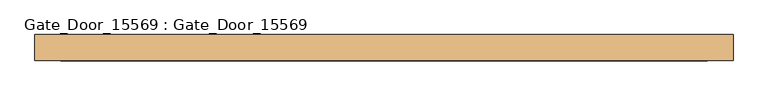
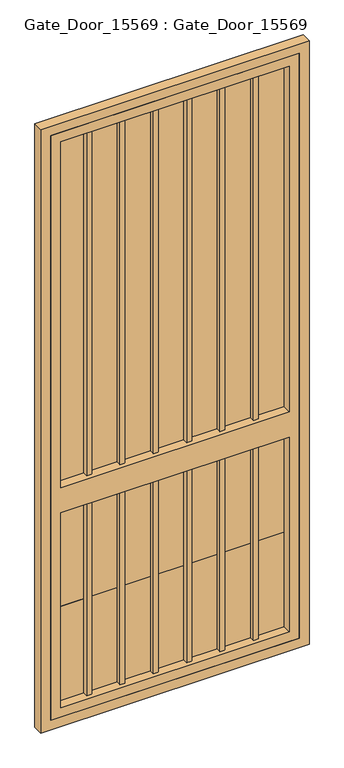
"""IFC4 building model written with IfcOpenShell, lengths in millimetres: door geometry, Gate_Door_15569 : Gate_Door_15569."""

from ifc_helpers import new_model, si_unit, frame, origin, place, context, project, spatial, polyline, outline, extrude, source, transform, mapped, element, save


def gate_door_15569_gate_door_15569_08955b63(model_context):
    return source(origin(), model_context, "Body", "SweptSolid", [
        extrude(outline(polyline([(840.9214286, -22.225), (821.8714286, -22.225), (821.8714286, -3.175), (840.9214286, -3.175), (840.9214286, -22.225)])), frame((0.0, 0.0, 76.2), z_axis=(0.0, 0.0, 1.0), x_axis=(1.0, 0.0, 0.0)), (0.0, 0.0, 1.0), 787.4),
        extrude(outline(polyline([(713.4678571, -22.225), (694.4178571, -22.225), (694.4178571, -3.175), (713.4678571, -3.175), (713.4678571, -22.225)])), frame((0.0, 0.0, 76.2), z_axis=(0.0, 0.0, 1.0), x_axis=(1.0, 0.0, 0.0)), (0.0, 0.0, 1.0), 787.4),
        extrude(outline(polyline([(586.0142857, -22.225), (566.9642857, -22.225), (566.9642857, -3.175), (586.0142857, -3.175), (586.0142857, -22.225)])), frame((0.0, 0.0, 76.2), z_axis=(0.0, 0.0, 1.0), x_axis=(1.0, 0.0, 0.0)), (0.0, 0.0, 1.0), 787.4),
        extrude(outline(polyline([(458.5607143, -22.225), (439.5107143, -22.225), (439.5107143, -3.175), (458.5607143, -3.175), (458.5607143, -22.225)])), frame((0.0, 0.0, 76.2), z_axis=(0.0, 0.0, 1.0), x_axis=(1.0, 0.0, 0.0)), (0.0, 0.0, 1.0), 787.4),
        extrude(outline(polyline([(331.1071429, -22.225), (312.0571429, -22.225), (312.0571429, -3.175), (331.1071429, -3.175), (331.1071429, -22.225)])), frame((0.0, 0.0, 76.2), z_axis=(0.0, 0.0, 1.0), x_axis=(1.0, 0.0, 0.0)), (0.0, 0.0, 1.0), 787.4),
        extrude(outline(polyline([(840.9214286, -22.225), (821.8714286, -22.225), (821.8714286, -3.175), (840.9214286, -3.175), (840.9214286, -22.225)])), frame((0.0, 0.0, 965.2), z_axis=(0.0, 0.0, 1.0), x_axis=(1.0, 0.0, 0.0)), (0.0, 0.0, 1.0), 1397.0),
        extrude(outline(polyline([(713.4678571, -22.225), (694.4178571, -22.225), (694.4178571, -3.175), (713.4678571, -3.175), (713.4678571, -22.225)])), frame((0.0, 0.0, 965.2), z_axis=(0.0, 0.0, 1.0), x_axis=(1.0, 0.0, 0.0)), (0.0, 0.0, 1.0), 1397.0),
        extrude(outline(polyline([(586.0142857, -22.225), (566.9642857, -22.225), (566.9642857, -3.175), (586.0142857, -3.175), (586.0142857, -22.225)])), frame((0.0, 0.0, 965.2), z_axis=(0.0, 0.0, 1.0), x_axis=(1.0, 0.0, 0.0)), (0.0, 0.0, 1.0), 1397.0),
        extrude(outline(polyline([(458.5607143, -22.225), (439.5107143, -22.225), (439.5107143, -3.175), (458.5607143, -3.175), (458.5607143, -22.225)])), frame((0.0, 0.0, 965.2), z_axis=(0.0, 0.0, 1.0), x_axis=(1.0, 0.0, 0.0)), (0.0, 0.0, 1.0), 1397.0),
        extrude(outline(polyline([(331.1071429, -22.225), (312.0571429, -22.225), (312.0571429, -3.175), (331.1071429, -3.175), (331.1071429, -22.225)])), frame((0.0, 0.0, 965.2), z_axis=(0.0, 0.0, 1.0), x_axis=(1.0, 0.0, 0.0)), (0.0, 0.0, 1.0), 1397.0),
        extrude(outline(polyline([(203.6535714, -22.225), (184.6035714, -22.225), (184.6035714, -3.175), (203.6535714, -3.175), (203.6535714, -22.225)])), frame((0.0, 0.0, 76.2), z_axis=(0.0, 0.0, 1.0), x_axis=(1.0, 0.0, 0.0)), (0.0, 0.0, 1.0), 787.4),
        extrude(outline(polyline([(203.6535714, -22.225), (184.6035714, -22.225), (184.6035714, -3.175), (203.6535714, -3.175), (203.6535714, -22.225)])), frame((0.0, 0.0, 965.2), z_axis=(0.0, 0.0, 1.0), x_axis=(1.0, 0.0, 0.0)), (0.0, 0.0, 1.0), 1397.0),
        extrude(outline(polyline([(949.325, -3.175), (76.2, -3.175), (76.2, 0.0), (949.325, 0.0), (949.325, -3.175)])), frame((0.0, 0.0, 76.2), z_axis=(0.0, 0.0, 1.0), x_axis=(1.0, 0.0, 0.0)), (0.0, 0.0, 1.0), 381.0),
        extrude(outline(polyline([(2400.3, 987.425), (2400.3, 38.1), (38.1, 38.1), (38.1, 987.425), (2400.3, 987.425)]), holes=[polyline([(2362.2, 949.325), (965.2, 949.325), (965.2, 76.2), (2362.2, 76.2), (2362.2, 949.325)]), polyline([(863.6, 76.2), (863.6, 949.325), (76.2, 949.325), (76.2, 76.2), (863.6, 76.2)])]), frame((0.0, -38.1, 0.0), z_axis=(0.0, 1.0, 0.0), x_axis=(0.0, 0.0, 1.0)), (0.0, 0.0, 1.0), 38.1),
        extrude(outline(polyline([(2438.4, 1025.525), (2438.4, 0.0), (0.0, 0.0), (0.0, 1025.525), (2438.4, 1025.525)]), holes=[polyline([(2400.3, 987.425), (38.1, 987.425), (38.1, 38.1), (2400.3, 38.1), (2400.3, 987.425)])]), frame((0.0, -38.1, 0.0), z_axis=(0.0, 1.0, 0.0), x_axis=(0.0, 0.0, 1.0)), (0.0, 0.0, 1.0), 38.1),
        extrude(outline(polyline([(949.325, -3.175), (76.2, -3.175), (76.2, 0.0), (949.325, 0.0), (949.325, -3.175)])), frame((0.0, 0.0, 965.2), z_axis=(0.0, 0.0, 1.0), x_axis=(1.0, 0.0, 0.0)), (0.0, 0.0, 1.0), 1397.0),
        extrude(outline(polyline([(949.325, -3.175), (76.2, -3.175), (76.2, 0.0), (949.325, 0.0), (949.325, -3.175)])), frame((0.0, 0.0, 457.2), z_axis=(0.0, 0.0, 1.0), x_axis=(1.0, 0.0, 0.0)), (0.0, 0.0, 1.0), 406.4),
    ])


if __name__ == "__main__":
    model = new_model("IFC4")
    model_context = context("Model", 3, world=origin())
    ifc_project = project(units=[si_unit("LENGTHUNIT", "METRE", prefix="MILLI")], contexts=[model_context])
    site = spatial("IfcSite", under=ifc_project)
    building = spatial("IfcBuilding", under=site)
    placement = place(None, origin())
    gate_door_15569_gate_door_15569_shape = gate_door_15569_gate_door_15569_08955b63(model_context)
    element("IfcDoor", 1, ObjectType="Gate_Door_15569 : Gate_Door_15569", at=placement, inside=building, context=model_context, shape_type="MappedRepresentation", body=[
        mapped(gate_door_15569_gate_door_15569_shape, transform((0.0, 0.0, 0.0), x_axis=(1.0, 0.0, 0.0), y_axis=(0.0, 1.0, 0.0), z_axis=(0.0, 0.0, 1.0))),
    ])
    save(model, "model.ifc")
